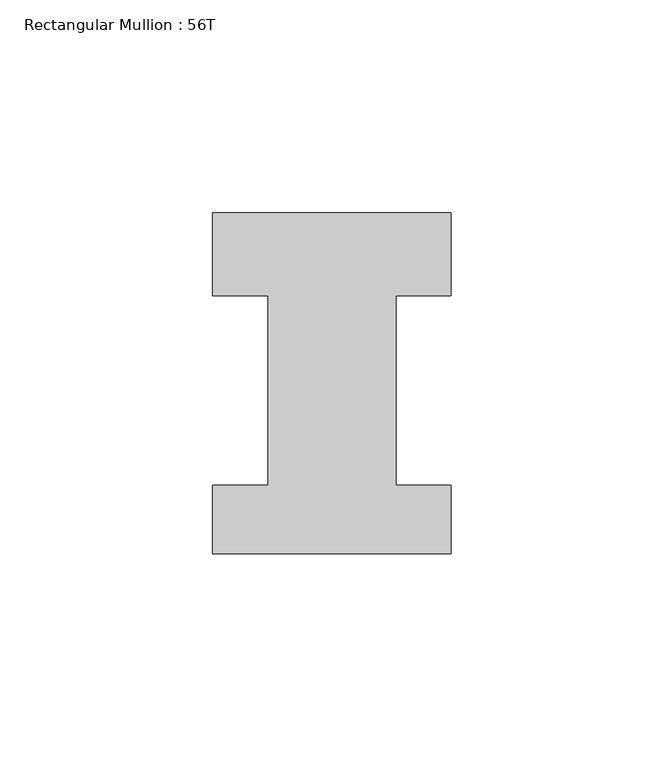
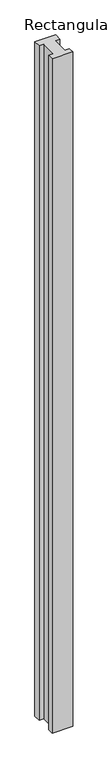
"""IFC4 building model written with IfcOpenShell, lengths in millimetres: member geometry, Rectangular Mullion : 56T."""

from ifc_helpers import new_model, si_unit, frame, origin, place, context, project, spatial, polyline, outline, extrude, source, transform, mapped, element, save


def rectangular_mullion_56t_aec4c6a7(model_context):
    return source(origin(), model_context, "Body", "SweptSolid", [
        extrude(outline(polyline([(28.0, 20.0), (28.0, 0.5), (15.0, 0.5), (15.0, -44.0), (28.0, -44.0), (28.0, -60.0), (-28.0, -60.0), (-28.0, -44.0), (-15.0, -44.0), (-15.0, 0.5), (-28.0, 0.5), (-28.0, 20.0), (28.0, 20.0)])), frame((0.0, 0.0, -1920.0), z_axis=(0.0, 0.0, 1.0), x_axis=(1.0, 0.0, 0.0)), (0.0, 0.0, 1.0), 1920.0),
    ])


if __name__ == "__main__":
    model = new_model("IFC4")
    model_context = context("Model", 3, world=origin())
    ifc_project = project(units=[si_unit("LENGTHUNIT", "METRE", prefix="MILLI")], contexts=[model_context])
    site = spatial("IfcSite", under=ifc_project)
    building = spatial("IfcBuilding", under=site)
    placement = place(None, origin())
    rectangular_mullion_56t_shape = rectangular_mullion_56t_aec4c6a7(model_context)
    element("IfcMember", 1, ObjectType="Rectangular Mullion : 56T", at=placement, inside=building, context=model_context, shape_type="MappedRepresentation", body=[
        mapped(rectangular_mullion_56t_shape, transform((0.0, 0.0, 0.0), x_axis=(1.0, 0.0, 0.0), y_axis=(0.0, 1.0, 0.0), z_axis=(0.0, 0.0, 1.0))),
    ])
    save(model, "model.ifc")
